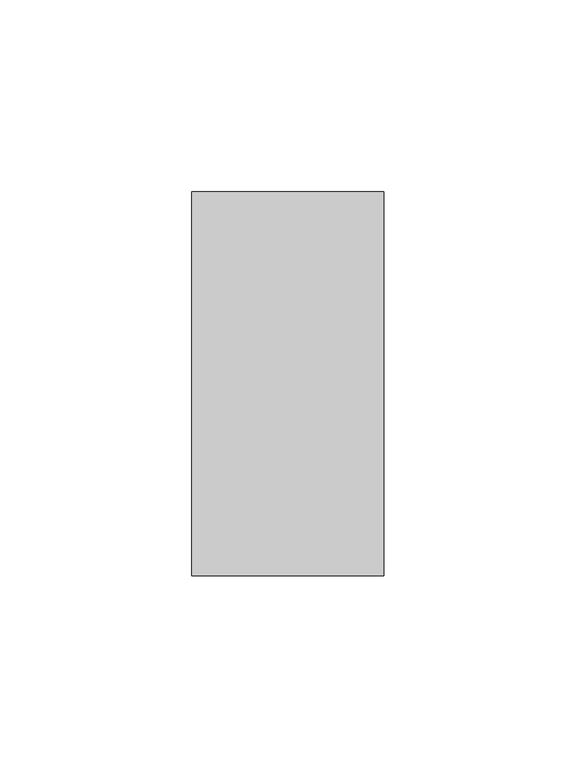
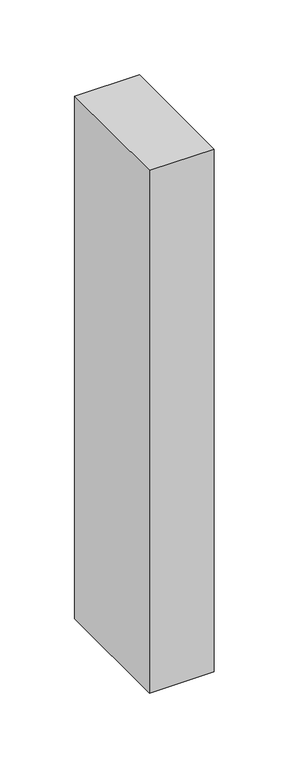
"""IFC4 building model written with IfcOpenShell, lengths in millimetres: member geometry."""

from ifc_helpers import new_model, si_unit, frame, origin, place, context, project, spatial, polyline, outline, extrude, source, transform, mapped, element, save


def member_d9bf5c15(model_context):
    return source(origin(), model_context, "Body", "SweptSolid", [
        extrude(outline(polyline([(0.0, 50.0), (0.0, -50.0), (-50.0, -50.0), (-50.0, 50.0), (0.0, 50.0)])), frame((0.0, 0.0, -426.7769485), z_axis=(0.0, 0.0, 1.0), x_axis=(1.0, 0.0, 0.0)), (0.0, 0.0, 1.0), 426.7769485),
    ])


if __name__ == "__main__":
    model = new_model("IFC4")
    model_context = context("Model", 3, world=origin())
    ifc_project = project(units=[si_unit("LENGTHUNIT", "METRE", prefix="MILLI")], contexts=[model_context])
    site = spatial("IfcSite", under=ifc_project)
    building = spatial("IfcBuilding", under=site)
    placement = place(None, origin())
    member_shape = member_d9bf5c15(model_context)
    element("IfcMember", 1, at=placement, inside=building, context=model_context, shape_type="MappedRepresentation", body=[
        mapped(member_shape, transform((0.0, 0.0, 0.0), x_axis=(1.0, 0.0, 0.0), y_axis=(0.0, 1.0, 0.0), z_axis=(0.0, 0.0, 1.0))),
    ])
    save(model, "model.ifc")
